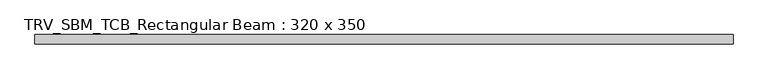
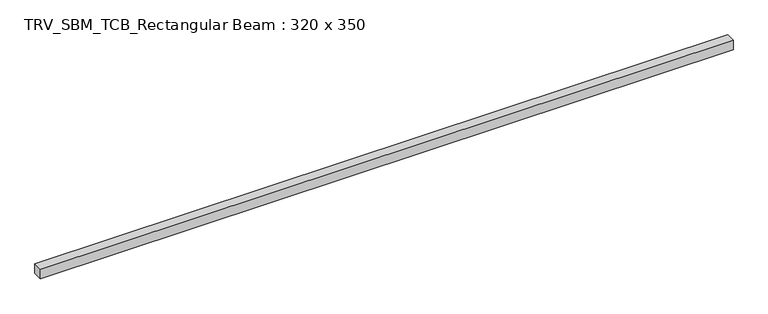
"""IFC4 building model written with IfcOpenShell, lengths in millimetres: beam geometry, TRV_SBM_TCB_Rectangular Beam : 320 x 350."""

from ifc_helpers import new_model, si_unit, frame, origin, place, context, project, spatial, polyline, outline, extrude, source, transform, mapped, element, save


def trv_sbm_tcb_rectangular_beam_320_x_350_1a4d33a3(model_context):
    return source(origin(), model_context, "Body", "SweptSolid", [
        extrude(outline(polyline([(11911.7, 160.0), (11911.7, -160.0), (-11911.7, -160.0), (-11911.7, 160.0), (11911.7, 160.0)])), frame((0.0, 0.0, -175.0), z_axis=(0.0, 0.0, 1.0), x_axis=(1.0, 0.0, 0.0)), (0.0, 0.0, 1.0), 350.0),
    ])


if __name__ == "__main__":
    model = new_model("IFC4")
    model_context = context("Model", 3, world=origin())
    ifc_project = project(units=[si_unit("LENGTHUNIT", "METRE", prefix="MILLI")], contexts=[model_context])
    site = spatial("IfcSite", under=ifc_project)
    building = spatial("IfcBuilding", under=site)
    placement = place(None, origin())
    trv_sbm_tcb_rectangular_beam_320_x_350_shape = trv_sbm_tcb_rectangular_beam_320_x_350_1a4d33a3(model_context)
    element("IfcBeam", 1, ObjectType="TRV_SBM_TCB_Rectangular Beam : 320 x 350", at=placement, inside=building, context=model_context, shape_type="MappedRepresentation", body=[
        mapped(trv_sbm_tcb_rectangular_beam_320_x_350_shape, transform((0.0, 0.0, 0.0), x_axis=(1.0, 0.0, 0.0), y_axis=(0.0, 1.0, 0.0), z_axis=(0.0, 0.0, 1.0))),
    ])
    save(model, "model.ifc")
